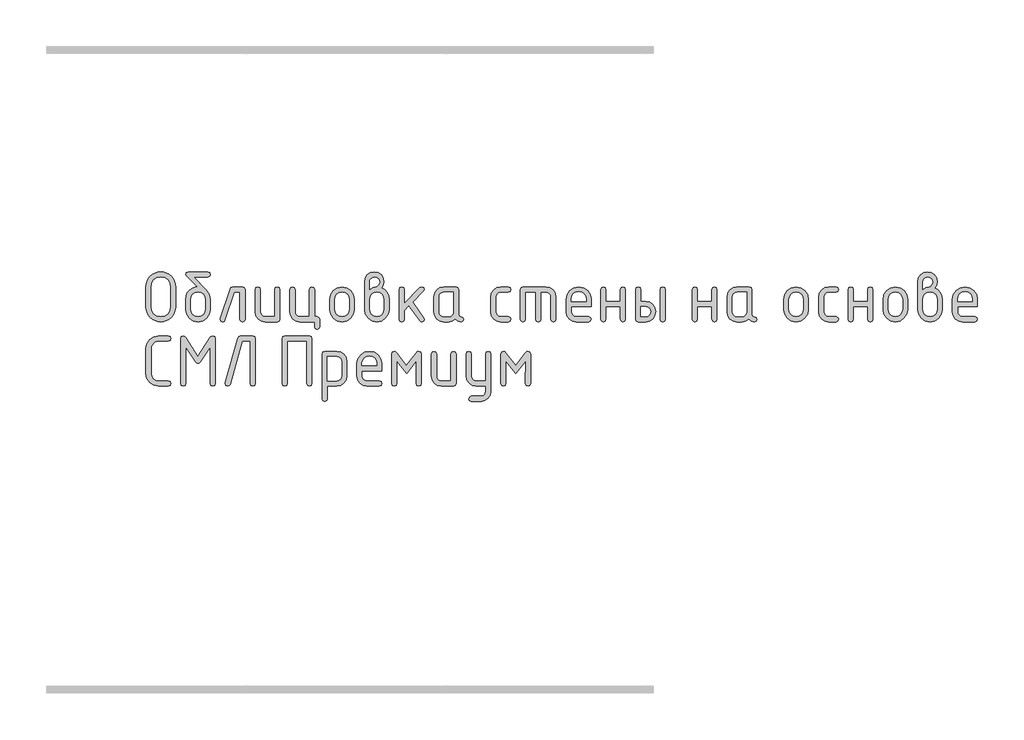
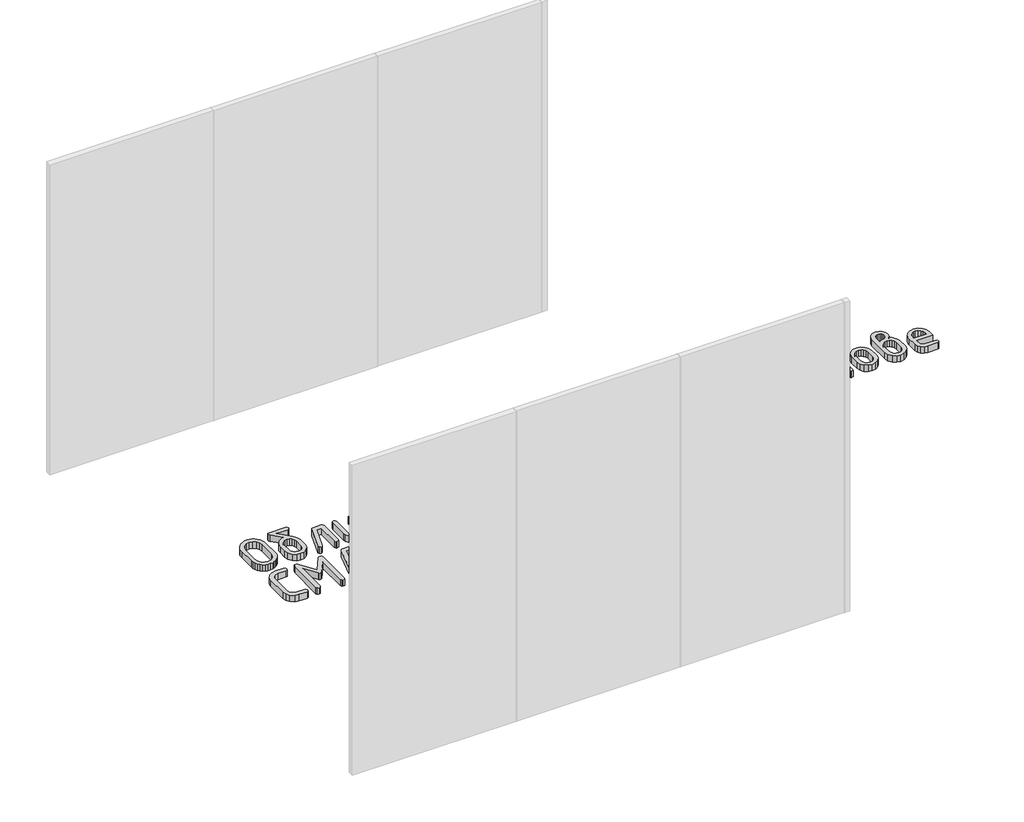
# One storey, part 29 of 33: 1 proxy.
"""IFC4 building model written with IfcOpenShell, lengths in millimetres."""

from ifc_helpers import new_model, si_unit, origin, origin_with_axes, place, context, project, spatial, polyline, outline, extrude, element, save

model = new_model("IFC4")

# Units and contexts
model_context = context("Model", 3, world=origin())
ifc_project = project(units=[si_unit("LENGTHUNIT", "METRE", prefix="MILLI")], contexts=[model_context])

# Site, building, storey
site = spatial("IfcSite", under=ifc_project)
building = spatial("IfcBuilding", under=site)
storey = spatial("IfcBuildingStorey", under=building, Elevation=0.0)

# Proxy
placement = place(None, origin())
element("IfcBuildingElementProxy", 1, Name="Generic Models", at=placement, inside=storey, context=model_context, shape_type="SweptSolid", body=[
    extrude(outline(polyline([(35062.1650887, 8671.8700695), (35060.5106929, 8653.6364081), (35055.5475053, 8636.7847724), (35047.2755261, 8621.3151625), (35035.6947552, 8607.2275784), (35021.7736195, 8595.5055785), (35006.4805457, 8587.1327215), (34989.815534, 8582.1090073), (34971.7785842, 8580.4344359), (34953.7416344, 8582.1090073), (34937.0766226, 8587.1327215), (34921.7835488, 8595.5055785), (34907.8624131, 8607.2275784), (34896.2816422, 8621.3151625), (34888.009663, 8636.7847724), (34883.0464755, 8653.6364081), (34881.3920796, 8671.8700695), (34881.3920796, 8793.7304462), (34883.0464755, 8811.9641077), (34888.009663, 8828.8157434), (34896.2816422, 8844.2853533), (34907.8624131, 8858.3729374), (34921.7835488, 8870.0949372), (34937.0766226, 8878.4677942), (34953.7416344, 8883.4915084), (34971.7785842, 8885.1660798), (34989.9138898, 8883.4990742), (35006.6318624, 8878.4980575), (35021.932502, 8870.1630297), (35035.8158086, 8858.4939907), (35047.3436186, 8844.4442358), (35055.5777687, 8828.9670601), (35060.5182587, 8812.0624635), (35062.1650887, 8793.7304462), (35062.1650887, 8671.8700695)]), holes=[polyline([(35031.17543, 8672.1121763), (35031.17543, 8793.4883395), (35026.8679482, 8817.0130413), (35013.9455026, 8836.5833336), (34994.7888093, 8849.7781492), (34971.7785842, 8854.1764211), (34948.7683591, 8849.7781492), (34929.6116658, 8836.5833336), (34916.6892202, 8817.0130413), (34912.3817383, 8793.4883395), (34912.3817383, 8672.1121763), (34916.6892202, 8648.5874744), (34929.6116658, 8629.0171821), (34948.7683591, 8615.8223665), (34971.7785842, 8611.4240946), (34994.7888093, 8615.8223665), (35013.9455026, 8629.0171821), (35026.8679482, 8648.5874744), (35031.17543, 8672.1121763)])]), origin_with_axes(), (0.0, 0.0, 1.0), 50.0),
    extrude(outline(polyline([(35273.9277565, 8717.3054285), (35273.9277565, 8656.4559424), (35268.4500922, 8627.2316451), (35252.0170994, 8602.667902), (35227.8165163, 8585.9928025), (35199.0360813, 8580.4344359), (35170.2556463, 8586.0028902), (35146.0550632, 8602.7082531), (35129.6220704, 8627.3224352), (35124.1444061, 8656.6173469), (35124.1444061, 8717.5475352), (35126.7369654, 8738.9790228), (35134.5146435, 8757.3539132), (35147.4774401, 8772.6722064), (35165.6253555, 8784.9339025), (35181.342116, 8791.5313103), (35195.8886941, 8793.7304462), (35129.3093492, 8860.7133022), (35124.1444061, 8869.6712505), (35127.8768845, 8881.2923725), (35139.0743198, 8885.1660798), (35258.9978428, 8885.1660798), (35270.1952781, 8881.2923725), (35273.9277565, 8869.6712505), (35270.1952781, 8858.0501284), (35258.9978428, 8854.1764211), (35174.0183881, 8854.1764211), (35249.3942767, 8773.7969939), (35267.7943865, 8746.519638), (35273.9277565, 8717.3054285)]), holes=[polyline([(35242.9380978, 8656.9401558), (35242.9380978, 8717.5475352), (35239.7200961, 8734.9792182), (35230.0660911, 8749.6670252), (35215.8725853, 8759.653927), (35199.0360813, 8762.9828942), (35182.1995773, 8759.653927), (35168.0060715, 8749.6670252), (35158.3520665, 8734.9792182), (35155.1340648, 8717.5475352), (35155.1340648, 8656.9401558), (35158.3218031, 8639.3470684), (35167.8850181, 8624.6592614), (35182.0482606, 8614.7328863), (35199.0360813, 8611.4240946), (35215.8725853, 8614.7530619), (35230.0660911, 8624.7399636), (35239.7200961, 8639.4479462), (35242.9380978, 8656.9401558)])]), origin_with_axes(), (0.0, 0.0, 1.0), 50.0),
    extrude(outline(polyline([(35409.2654066, 8792.1971037), (35470.1955949, 8792.1971037), (35481.8167169, 8788.4242742), (35485.6904243, 8777.1057855), (35485.6904243, 8595.5257541), (35481.8167169, 8584.2072655), (35470.1955949, 8580.4344359), (35458.5744729, 8584.2072655), (35454.7007656, 8595.5257541), (35454.7007656, 8761.207445), (35420.0795062, 8761.207445), (35362.942323, 8590.6836199), (35357.636151, 8582.9967319), (35348.6580272, 8580.4344359), (35337.2790119, 8584.2677922), (35333.4860068, 8595.7678608), (35334.2123269, 8600.3678883), (35394.0933862, 8779.8496616), (35399.9846494, 8789.1102432), (35409.2654066, 8792.1971037)])), origin_with_axes(), (0.0, 0.0, 1.0), 50.0),
    extrude(outline(polyline([(35697.453092, 8777.1057855), (35697.453092, 8595.5257541), (35693.7004381, 8584.2072655), (35682.4424761, 8580.4344359), (35607.5508009, 8580.4344359), (35584.3287324, 8584.8125322), (35565.0207224, 8597.9468212), (35552.0074869, 8617.4565868), (35547.6697417, 8640.9611131), (35547.6697417, 8777.1057855), (35551.543449, 8788.4242742), (35563.164571, 8792.1971037), (35574.785693, 8788.4242742), (35578.6594004, 8777.1057855), (35578.6594004, 8641.5260287), (35580.8181852, 8630.0965745), (35587.2945396, 8620.3416917), (35596.7770524, 8613.6534939), (35607.9543121, 8611.4240946), (35666.4634333, 8611.4240946), (35666.4634333, 8777.1057855), (35670.3371407, 8788.4242742), (35681.9582627, 8792.1971037), (35693.5793847, 8788.4242742), (35697.453092, 8777.1057855)])), origin_with_axes(), (0.0, 0.0, 1.0), 50.0),
    extrude(outline(polyline([(35924.7105892, 8611.4240946), (35936.3317112, 8607.5503873), (35940.2054185, 8595.9292653), (35940.2054185, 8549.4447772), (35936.3317112, 8537.8236552), (35924.7105892, 8533.9499479), (35913.0894671, 8537.8236552), (35909.2157598, 8549.4447772), (35909.2157598, 8580.4344359), (35819.3134687, 8580.4344359), (35796.0914002, 8584.8427956), (35776.7833902, 8598.0678745), (35763.7701546, 8617.6079035), (35759.4324094, 8640.9611131), (35759.4324094, 8777.1057855), (35763.3061168, 8788.4242742), (35774.9272388, 8792.1971037), (35786.5483608, 8788.4242742), (35790.4220681, 8777.1057855), (35790.4220681, 8641.5260287), (35792.580853, 8630.0965745), (35799.0572074, 8620.3416917), (35808.5397202, 8613.6534939), (35819.7169799, 8611.4240946), (35878.2261011, 8611.4240946), (35878.2261011, 8777.1057855), (35882.0998085, 8788.4242742), (35893.7209305, 8792.1971037), (35905.3420525, 8788.4242742), (35909.2157598, 8777.1057855), (35909.2157598, 8611.4240946), (35924.7105892, 8611.4240946)])), origin_with_axes(), (0.0, 0.0, 1.0), 50.0),
    extrude(outline(polyline([(36002.1847359, 8656.0524312), (36002.1847359, 8716.5791084), (36007.6624002, 8745.652089), (36024.095393, 8770.084691), (36048.2959761, 8786.6690005), (36077.0764111, 8792.1971037), (36106.1594795, 8786.7295272), (36130.2995359, 8770.3267977), (36146.5509487, 8745.9547224), (36151.9680863, 8716.5791084), (36151.9680863, 8656.0524312), (36146.490422, 8626.9794507), (36130.0574292, 8602.5468487), (36105.8568461, 8585.9625391), (36077.0764111, 8580.4344359), (36048.2959761, 8585.9625391), (36024.095393, 8602.5468487), (36007.6624002, 8626.9794507), (36002.1847359, 8656.0524312)]), holes=[polyline([(36120.9784276, 8656.9401558), (36120.9784276, 8717.5475352), (36117.7604259, 8734.9792182), (36108.1064209, 8749.6670252), (36093.9129151, 8759.653927), (36077.0764111, 8762.9828942), (36060.2399071, 8759.653927), (36046.0464013, 8749.6670252), (36036.3923963, 8734.9792182), (36033.1743946, 8717.5475352), (36033.1743946, 8656.9401558), (36036.3621329, 8639.3470684), (36045.9253479, 8624.6592614), (36060.0885904, 8614.7328863), (36077.0764111, 8611.4240946), (36093.9129151, 8614.7530619), (36108.1064209, 8624.7399636), (36117.7604259, 8639.4479462), (36120.9784276, 8656.9401558)])]), origin_with_axes(), (0.0, 0.0, 1.0), 50.0),
    extrude(outline(polyline([(36318.7796085, 8787.516374), (36337.3108595, 8776.1272709), (36351.5850675, 8759.5530492), (36360.6943324, 8739.4682801), (36363.7307541, 8717.5475352), (36363.7307541, 8656.6173469), (36358.2530898, 8627.1711185), (36341.8200969, 8602.5871998), (36317.6195139, 8585.9726269), (36288.8390789, 8580.4344359), (36259.9073272, 8586.0028902), (36235.7370075, 8602.7082531), (36219.3948046, 8627.3224352), (36213.9474037, 8656.6173469), (36213.9474037, 8824.2358915), (36218.2750611, 8847.8412956), (36231.2580333, 8867.4922901), (36250.4349022, 8880.7476324), (36273.3442495, 8885.1660798), (36296.3544746, 8880.717369), (36315.5111679, 8867.3712367), (36328.4336135, 8847.6899789), (36332.7410954, 8824.2358915), (36329.2507236, 8803.5155923), (36318.7796085, 8787.516374)]), holes=[polyline([(36332.7410954, 8656.9401558), (36332.7410954, 8717.5475352), (36329.553357, 8734.9792182), (36319.990142, 8749.6670252), (36305.8268996, 8759.653927), (36288.8390789, 8762.9828942), (36271.8512582, 8759.653927), (36257.6880157, 8749.6670252), (36248.1248007, 8734.9792182), (36244.9370624, 8717.5475352), (36244.9370624, 8656.9401558), (36248.1248007, 8639.3470684), (36257.6880157, 8624.6592614), (36271.8512582, 8614.7328863), (36288.8390789, 8611.4240946), (36305.8268996, 8614.7530619), (36319.990142, 8624.7399636), (36329.553357, 8639.4479462), (36332.7410954, 8656.9401558)]), polyline([(36244.9370624, 8777.4285945), (36263.4178745, 8788.7470831), (36280.2846418, 8792.5199127), (36289.3636434, 8795.1629109), (36297.7163249, 8803.0919056), (36303.5874125, 8812.957754), (36305.5444418, 8822.8639535), (36303.3654814, 8834.6666555), (36296.8286003, 8844.4114505), (36287.0636297, 8850.9483317), (36275.200401, 8853.127292), (36263.5490156, 8850.9180683), (36253.7739572, 8844.2903972), (36247.1462861, 8834.5153388), (36244.9370624, 8822.8639535), (36244.9370624, 8777.4285945)])]), origin_with_axes(), (0.0, 0.0, 1.0), 50.0),
    extrude(outline(polyline([(36456.6997302, 8692.7719487), (36551.9283689, 8787.839183), (36562.7424685, 8792.1971037), (36574.1214838, 8788.4242742), (36577.9144889, 8777.1057855), (36573.3144615, 8766.5337926), (36506.7351166, 8700.03515), (36574.9285062, 8604.2415956), (36577.9144889, 8595.3643496), (36574.1214838, 8584.1669144), (36562.7424685, 8580.4344359), (36555.6003206, 8582.0484807), (36550.1529197, 8586.8906148), (36484.9455128, 8678.4876529), (36456.6997302, 8650.2418702), (36456.6997302, 8595.6064563), (36452.8260228, 8584.227441), (36441.2049008, 8580.4344359), (36429.5837788, 8584.2072655), (36425.7100715, 8595.5257541), (36425.7100715, 8777.1057855), (36429.5837788, 8788.4242742), (36441.2049008, 8792.1971037), (36452.8260228, 8788.4242742), (36456.6997302, 8777.1057855), (36456.6997302, 8692.7719487)])), origin_with_axes(), (0.0, 0.0, 1.0), 50.0),
    extrude(outline(polyline([(36817.5194282, 8595.5257541), (36813.7465986, 8584.2072655), (36802.42811, 8580.4344359), (36783.2815045, 8584.4493722), (36767.9682552, 8596.4941809), (36749.5479698, 8584.4493722), (36727.3750304, 8580.4344359), (36697.3537985, 8580.4344359), (36674.13173, 8584.8125322), (36654.82372, 8597.9468212), (36641.8104844, 8617.4565868), (36637.4727392, 8640.9611131), (36637.4727392, 8731.6704266), (36641.8104844, 8755.1749529), (36654.82372, 8774.6847185), (36674.13173, 8787.8190074), (36697.3537985, 8792.1971037), (36772.2454737, 8792.1971037), (36783.5034356, 8788.4242742), (36787.2560896, 8777.1057855), (36787.2560896, 8625.7890927), (36791.0390069, 8614.470604), (36802.3877589, 8610.6977745), (36813.7365109, 8606.9047694), (36817.5194282, 8595.5257541)]), holes=[polyline([(36756.2664309, 8761.207445), (36697.7573097, 8761.207445), (36686.4791722, 8759.0183969), (36677.016835, 8752.4512524), (36670.6010072, 8742.7770718), (36668.4623979, 8731.2669154), (36668.4623979, 8641.3646243), (36670.6211828, 8629.9553456), (36677.0975372, 8620.2609895), (36686.58005, 8613.6333183), (36697.7573097, 8611.4240946), (36726.9715192, 8611.4240946), (36738.2496567, 8613.6131428), (36747.7119939, 8620.1802873), (36754.1278217, 8629.8544678), (36756.2664309, 8641.3646243), (36756.2664309, 8761.207445)])]), origin_with_axes(), (0.0, 0.0, 1.0), 50.0),
    extrude(outline(polyline([(37014.5135867, 8731.2669154), (37014.5135867, 8641.3646243), (37016.7530738, 8629.9553456), (37023.471535, 8620.2609895), (37033.2768567, 8613.6333183), (37044.7769253, 8611.4240946), (37090.2929865, 8611.4240946), (37101.6114752, 8607.5503873), (37105.3843047, 8595.9292653), (37101.6114752, 8584.3081433), (37090.2929865, 8580.4344359), (37044.7769253, 8580.4344359), (37021.2320479, 8584.8125322), (37001.4398245, 8597.9468212), (36988.0029022, 8617.4565868), (36983.523928, 8640.9611131), (36983.523928, 8731.6704266), (36988.0029022, 8755.1749529), (37001.4398245, 8774.6847185), (37021.2320479, 8787.8190074), (37044.7769253, 8792.1971037), (37090.2929865, 8792.1971037), (37101.6114752, 8788.3233964), (37105.3843047, 8776.7022744), (37101.6114752, 8765.0811523), (37090.2929865, 8761.207445), (37044.7769253, 8761.207445), (37033.12554, 8759.0183969), (37023.3504816, 8752.4512524), (37016.7228105, 8742.7770718), (37014.5135867, 8731.2669154)])), origin_with_axes(), (0.0, 0.0, 1.0), 50.0),
    extrude(outline(polyline([(37179.7917665, 8792.1971037), (37319.2452306, 8792.1971037), (37343.1330925, 8787.7887441), (37363.1472471, 8774.5636651), (37376.7052228, 8755.0236362), (37381.224548, 8731.6704266), (37381.224548, 8595.5257541), (37377.3508407, 8584.2072655), (37365.7297187, 8580.4344359), (37354.1085967, 8584.2072655), (37350.2348893, 8595.5257541), (37350.2348893, 8731.1055109), (37348.00549, 8742.8375985), (37341.3172922, 8752.5319546), (37331.3404783, 8759.0385724), (37319.2452306, 8761.207445), (37288.2555719, 8761.207445), (37288.2555719, 8595.5257541), (37284.3818646, 8584.2072655), (37272.7607426, 8580.4344359), (37261.1396206, 8584.2072655), (37257.2659132, 8595.5257541), (37257.2659132, 8761.207445), (37195.2865958, 8761.207445), (37195.2865958, 8595.5257541), (37191.4128885, 8584.2072655), (37179.7917665, 8580.4344359), (37168.1706445, 8584.2072655), (37164.2969371, 8595.5257541), (37164.2969371, 8777.1057855), (37168.1706445, 8788.4242742), (37179.7917665, 8792.1971037)])), origin_with_axes(), (0.0, 0.0, 1.0), 50.0),
    extrude(outline(polyline([(37474.1935241, 8673.403412), (37474.1935241, 8642.4137533), (37476.4330112, 8630.6211391), (37483.1514723, 8620.5837984), (37492.956794, 8613.7140206), (37504.4568627, 8611.4240946), (37580.2362625, 8611.4240946), (37591.6152778, 8607.5503873), (37595.4082829, 8595.9292653), (37591.6152778, 8584.3081433), (37580.2362625, 8580.4344359), (37504.4568627, 8580.4344359), (37480.9119853, 8584.8125322), (37461.1197618, 8597.9468212), (37447.6828395, 8617.4565868), (37443.2038654, 8640.9611131), (37443.2038654, 8716.5791084), (37448.8227586, 8745.652089), (37465.6794382, 8770.084691), (37490.4045858, 8786.6690005), (37519.6288831, 8792.1971037), (37549.0751115, 8786.830405), (37573.4976257, 8770.7303089), (37589.9306186, 8746.8020959), (37595.4082829, 8717.9510464), (37595.4082829, 8673.403412), (37474.1935241, 8673.403412)]), holes=[polyline([(37519.6288831, 8765.0004501), (37502.1972001, 8761.6714829), (37487.5093931, 8751.6845811), (37477.5224914, 8736.9967742), (37474.1935241, 8719.5650911), (37474.1935241, 8704.3930707), (37565.0642421, 8704.3930707), (37565.0642421, 8719.5650911), (37561.7352748, 8736.9967742), (37551.7483731, 8751.6845811), (37537.0605661, 8761.6714829), (37519.6288831, 8765.0004501)])]), origin_with_axes(), (0.0, 0.0, 1.0), 50.0),
    extrude(outline(polyline([(37685.9561919, 8673.403412), (37685.9561919, 8595.9292653), (37682.0824846, 8584.3081433), (37670.4613625, 8580.4344359), (37658.8402405, 8584.2072655), (37654.9665332, 8595.5257541), (37654.9665332, 8777.1057855), (37658.8402405, 8788.4242742), (37670.4613625, 8792.1971037), (37682.0824846, 8788.5453275), (37685.9561919, 8777.589999), (37685.9561919, 8704.3930707), (37773.7602249, 8704.3930707), (37773.7602249, 8777.589999), (37777.6339322, 8788.5453275), (37789.2550542, 8792.1971037), (37800.8761762, 8788.4242742), (37804.7498836, 8777.1057855), (37804.7498836, 8595.5257541), (37800.8761762, 8584.2072655), (37789.2550542, 8580.4344359), (37777.6339322, 8584.3081433), (37773.7602249, 8595.9292653), (37773.7602249, 8673.403412), (37685.9561919, 8673.403412)])), origin_with_axes(), (0.0, 0.0, 1.0), 50.0),
    extrude(outline(polyline([(38016.5125513, 8777.1057855), (38020.3862587, 8788.4242742), (38032.0073807, 8792.1971037), (38043.6285027, 8788.4242742), (38047.50221, 8777.1057855), (38047.50221, 8595.5257541), (38043.6285027, 8584.2072655), (38032.0073807, 8580.4344359), (38020.3862587, 8584.2072655), (38016.5125513, 8595.5257541), (38016.5125513, 8777.1057855)])), origin_with_axes(), (0.0, 0.0, 1.0), 50.0),
    extrude(outline(polyline([(37988.5895776, 8642.4137533), (37984.2013935, 8618.3745747), (37971.0368412, 8598.3906835), (37951.4968123, 8584.9234978), (37927.9821982, 8580.4344359), (37882.2240303, 8580.4344359), (37870.6029083, 8584.2072655), (37866.729201, 8595.5257541), (37866.729201, 8777.1057855), (37870.6029083, 8788.4242742), (37882.2240303, 8792.1971037), (37893.8451523, 8788.5453275), (37897.7188597, 8777.589999), (37897.7188597, 8704.3930707), (37927.9821982, 8704.3930707), (37951.4968123, 8699.9040088), (37971.0368412, 8686.4368232), (37984.2013935, 8666.4529319), (37988.5895776, 8642.4137533)]), holes=[polyline([(37958.326239, 8642.4137533), (37956.1472787, 8654.509001), (37949.6103975, 8664.4858149), (37939.845427, 8671.1740128), (37927.9821982, 8673.403412), (37897.7188597, 8673.403412), (37897.7188597, 8611.4240946), (37927.9821982, 8611.4240946), (37939.6941103, 8613.6837572), (37949.4893442, 8620.4627451), (37956.1170153, 8630.4698224), (37958.326239, 8642.4137533)])]), origin_with_axes(), (0.0, 0.0, 1.0), 50.0),
    extrude(outline(polyline([(38243.7700485, 8673.403412), (38243.7700485, 8595.9292653), (38239.8963411, 8584.3081433), (38228.2752191, 8580.4344359), (38216.6540971, 8584.2072655), (38212.7803898, 8595.5257541), (38212.7803898, 8777.1057855), (38216.6540971, 8788.4242742), (38228.2752191, 8792.1971037), (38239.8963411, 8788.5453275), (38243.7700485, 8777.589999), (38243.7700485, 8704.3930707), (38331.5740815, 8704.3930707), (38331.5740815, 8777.589999), (38335.4477888, 8788.5453275), (38347.0689108, 8792.1971037), (38358.6900328, 8788.4242742), (38362.5637401, 8777.1057855), (38362.5637401, 8595.5257541), (38358.6900328, 8584.2072655), (38347.0689108, 8580.4344359), (38335.4477888, 8584.3081433), (38331.5740815, 8595.9292653), (38331.5740815, 8673.403412), (38243.7700485, 8673.403412)])), origin_with_axes(), (0.0, 0.0, 1.0), 50.0),
    extrude(outline(polyline([(38604.5897465, 8595.5257541), (38600.816917, 8584.2072655), (38589.4984283, 8580.4344359), (38570.3518228, 8584.4493722), (38555.0385735, 8596.4941809), (38536.6182881, 8584.4493722), (38514.4453487, 8580.4344359), (38484.4241168, 8580.4344359), (38461.2020483, 8584.8125322), (38441.8940383, 8597.9468212), (38428.8808027, 8617.4565868), (38424.5430575, 8640.9611131), (38424.5430575, 8731.6704266), (38428.8808027, 8755.1749529), (38441.8940383, 8774.6847185), (38461.2020483, 8787.8190074), (38484.4241168, 8792.1971037), (38559.315792, 8792.1971037), (38570.5737539, 8788.4242742), (38574.3264079, 8777.1057855), (38574.3264079, 8625.7890927), (38578.1093252, 8614.470604), (38589.4580772, 8610.6977745), (38600.8068292, 8606.9047694), (38604.5897465, 8595.5257541)]), holes=[polyline([(38543.3367492, 8761.207445), (38484.827628, 8761.207445), (38473.5494905, 8759.0183969), (38464.0871533, 8752.4512524), (38457.6713255, 8742.7770718), (38455.5327162, 8731.2669154), (38455.5327162, 8641.3646243), (38457.6915011, 8629.9553456), (38464.1678555, 8620.2609895), (38473.6503683, 8613.6333183), (38484.827628, 8611.4240946), (38514.0418375, 8611.4240946), (38525.319975, 8613.6131428), (38534.7823122, 8620.1802873), (38541.19814, 8629.8544678), (38543.3367492, 8641.3646243), (38543.3367492, 8761.207445)])]), origin_with_axes(), (0.0, 0.0, 1.0), 50.0),
    extrude(outline(polyline([(38770.5942464, 8656.0524312), (38770.5942464, 8716.5791084), (38776.0719106, 8745.652089), (38792.5049035, 8770.084691), (38816.7054866, 8786.6690005), (38845.4859215, 8792.1971037), (38874.5689899, 8786.7295272), (38898.7090463, 8770.3267977), (38914.9604591, 8745.9547224), (38920.3775967, 8716.5791084), (38920.3775967, 8656.0524312), (38914.8999324, 8626.9794507), (38898.4669396, 8602.5468487), (38874.2663565, 8585.9625391), (38845.4859215, 8580.4344359), (38816.7054866, 8585.9625391), (38792.5049035, 8602.5468487), (38776.0719106, 8626.9794507), (38770.5942464, 8656.0524312)]), holes=[polyline([(38889.387938, 8656.9401558), (38889.387938, 8717.5475352), (38886.1699364, 8734.9792182), (38876.5159314, 8749.6670252), (38862.3224256, 8759.653927), (38845.4859215, 8762.9828942), (38828.6494175, 8759.653927), (38814.4559117, 8749.6670252), (38804.8019067, 8734.9792182), (38801.5839051, 8717.5475352), (38801.5839051, 8656.9401558), (38804.7716434, 8639.3470684), (38814.3348584, 8624.6592614), (38828.4981008, 8614.7328863), (38845.4859215, 8611.4240946), (38862.3224256, 8614.7530619), (38876.5159314, 8624.7399636), (38886.1699364, 8639.4479462), (38889.387938, 8656.9401558)])]), origin_with_axes(), (0.0, 0.0, 1.0), 50.0),
    extrude(outline(polyline([(39013.3465728, 8731.2669154), (39013.3465728, 8641.3646243), (39015.5860599, 8629.9553456), (39022.304521, 8620.2609895), (39032.1098427, 8613.6333183), (39043.6099114, 8611.4240946), (39089.1259726, 8611.4240946), (39100.4444612, 8607.5503873), (39104.2172908, 8595.9292653), (39100.4444612, 8584.3081433), (39089.1259726, 8580.4344359), (39043.6099114, 8580.4344359), (39020.065034, 8584.8125322), (39000.2728106, 8597.9468212), (38986.8358882, 8617.4565868), (38982.3569141, 8640.9611131), (38982.3569141, 8731.6704266), (38986.8358882, 8755.1749529), (39000.2728106, 8774.6847185), (39020.065034, 8787.8190074), (39043.6099114, 8792.1971037), (39089.1259726, 8792.1971037), (39100.4444612, 8788.3233964), (39104.2172908, 8776.7022744), (39100.4444612, 8765.0811523), (39089.1259726, 8761.207445), (39043.6099114, 8761.207445), (39031.9585261, 8759.0183969), (39022.1834677, 8752.4512524), (39015.5557965, 8742.7770718), (39013.3465728, 8731.2669154)])), origin_with_axes(), (0.0, 0.0, 1.0), 50.0),
    extrude(outline(polyline([(39194.1195819, 8673.403412), (39194.1195819, 8595.9292653), (39190.2458746, 8584.3081433), (39178.6247526, 8580.4344359), (39167.0036305, 8584.2072655), (39163.1299232, 8595.5257541), (39163.1299232, 8777.1057855), (39167.0036305, 8788.4242742), (39178.6247526, 8792.1971037), (39190.2458746, 8788.5453275), (39194.1195819, 8777.589999), (39194.1195819, 8704.3930707), (39281.9236149, 8704.3930707), (39281.9236149, 8777.589999), (39285.7973222, 8788.5453275), (39297.4184442, 8792.1971037), (39309.0395662, 8788.4242742), (39312.9132736, 8777.1057855), (39312.9132736, 8595.5257541), (39309.0395662, 8584.2072655), (39297.4184442, 8580.4344359), (39285.7973222, 8584.3081433), (39281.9236149, 8595.9292653), (39281.9236149, 8673.403412), (39194.1195819, 8673.403412)])), origin_with_axes(), (0.0, 0.0, 1.0), 50.0),
    extrude(outline(polyline([(39374.892591, 8656.0524312), (39374.892591, 8716.5791084), (39380.3702553, 8745.652089), (39396.8032481, 8770.084691), (39421.0038312, 8786.6690005), (39449.7842662, 8792.1971037), (39478.8673345, 8786.7295272), (39503.0073909, 8770.3267977), (39519.2588038, 8745.9547224), (39524.6759414, 8716.5791084), (39524.6759414, 8656.0524312), (39519.1982771, 8626.9794507), (39502.7652842, 8602.5468487), (39478.5647012, 8585.9625391), (39449.7842662, 8580.4344359), (39421.0038312, 8585.9625391), (39396.8032481, 8602.5468487), (39380.3702553, 8626.9794507), (39374.892591, 8656.0524312)]), holes=[polyline([(39493.6862827, 8656.9401558), (39493.6862827, 8717.5475352), (39490.468281, 8734.9792182), (39480.814276, 8749.6670252), (39466.6207702, 8759.653927), (39449.7842662, 8762.9828942), (39432.9477621, 8759.653927), (39418.7542564, 8749.6670252), (39409.1002514, 8734.9792182), (39405.8822497, 8717.5475352), (39405.8822497, 8656.9401558), (39409.069988, 8639.3470684), (39418.633203, 8624.6592614), (39432.7964455, 8614.7328863), (39449.7842662, 8611.4240946), (39466.6207702, 8614.7530619), (39480.814276, 8624.7399636), (39490.468281, 8639.4479462), (39493.6862827, 8656.9401558)])]), origin_with_axes(), (0.0, 0.0, 1.0), 50.0),
    extrude(outline(polyline([(39691.4874636, 8787.516374), (39710.0187146, 8776.1272709), (39724.2929226, 8759.5530492), (39733.4021875, 8739.4682801), (39736.4386091, 8717.5475352), (39736.4386091, 8656.6173469), (39730.9609449, 8627.1711185), (39714.527952, 8602.5871998), (39690.3273689, 8585.9726269), (39661.5469339, 8580.4344359), (39632.6151823, 8586.0028902), (39608.4448625, 8602.7082531), (39592.1026597, 8627.3224352), (39586.6552588, 8656.6173469), (39586.6552588, 8824.2358915), (39590.9829162, 8847.8412956), (39603.9658884, 8867.4922901), (39623.1427573, 8880.7476324), (39646.0521046, 8885.1660798), (39669.0623297, 8880.717369), (39688.219023, 8867.3712367), (39701.1414686, 8847.6899789), (39705.4489504, 8824.2358915), (39701.9585787, 8803.5155923), (39691.4874636, 8787.516374)]), holes=[polyline([(39617.6449175, 8777.4285945), (39636.1257295, 8788.7470831), (39652.9924969, 8792.5199127), (39662.0714985, 8795.1629109), (39670.4241799, 8803.0919056), (39676.2952676, 8812.957754), (39678.2522968, 8822.8639535), (39676.0733365, 8834.6666555), (39669.5364553, 8844.4114505), (39659.7714848, 8850.9483317), (39647.908256, 8853.127292), (39636.2568707, 8850.9180683), (39626.4818123, 8844.2903972), (39619.8541412, 8834.5153388), (39617.6449175, 8822.8639535), (39617.6449175, 8777.4285945)]), polyline([(39705.4489504, 8656.9401558), (39705.4489504, 8717.5475352), (39702.2612121, 8734.9792182), (39692.6979971, 8749.6670252), (39678.5347547, 8759.653927), (39661.5469339, 8762.9828942), (39644.5591132, 8759.653927), (39630.3958708, 8749.6670252), (39620.8326558, 8734.9792182), (39617.6449175, 8717.5475352), (39617.6449175, 8656.9401558), (39620.8326558, 8639.3470684), (39630.3958708, 8624.6592614), (39644.5591132, 8614.7328863), (39661.5469339, 8611.4240946), (39678.5347547, 8614.7530619), (39692.6979971, 8624.7399636), (39702.2612121, 8639.4479462), (39705.4489504, 8656.9401558)])]), origin_with_axes(), (0.0, 0.0, 1.0), 50.0),
    extrude(outline(polyline([(39829.4075852, 8673.403412), (39829.4075852, 8642.4137533), (39831.6470723, 8630.6211391), (39838.3655335, 8620.5837984), (39848.1708552, 8613.7140206), (39859.6709238, 8611.4240946), (39935.4503236, 8611.4240946), (39946.8293389, 8607.5503873), (39950.622344, 8595.9292653), (39946.8293389, 8584.3081433), (39935.4503236, 8580.4344359), (39859.6709238, 8580.4344359), (39836.1260464, 8584.8125322), (39816.333823, 8597.9468212), (39802.8969006, 8617.4565868), (39798.4179265, 8640.9611131), (39798.4179265, 8716.5791084), (39804.0368197, 8745.652089), (39820.8934993, 8770.084691), (39845.6186469, 8786.6690005), (39874.8429442, 8792.1971037), (39904.2891726, 8786.830405), (39928.7116869, 8770.7303089), (39945.1446797, 8746.8020959), (39950.622344, 8717.9510464), (39950.622344, 8673.403412), (39829.4075852, 8673.403412)]), holes=[polyline([(39874.8429442, 8765.0004501), (39857.4112612, 8761.6714829), (39842.7234542, 8751.6845811), (39832.7365525, 8736.9967742), (39829.4075852, 8719.5650911), (39829.4075852, 8704.3930707), (39920.2783032, 8704.3930707), (39920.2783032, 8719.5650911), (39916.9493359, 8736.9967742), (39906.9624342, 8751.6845811), (39892.2746272, 8761.6714829), (39874.8429442, 8765.0004501)])]), origin_with_axes(), (0.0, 0.0, 1.0), 50.0),
    extrude(outline(polyline([(35018.4244767, 8493.1175886), (35029.803492, 8489.2438813), (35033.5964971, 8477.6227593), (35029.803492, 8466.0016373), (35018.4244767, 8462.1279299), (34957.8170973, 8462.1279299), (34934.9380133, 8456.4989489), (34918.5958105, 8439.612006), (34913.9352564, 8428.5759752), (34912.3817383, 8416.6118687), (34912.3817383, 8264.8916647), (34915.7107056, 8247.399455), (34925.6976073, 8232.6914724), (34940.3854143, 8222.7045707), (34957.8170973, 8219.3756034), (35018.4244767, 8219.3756034), (35029.803492, 8215.5018961), (35033.5964971, 8203.8807741), (35029.803492, 8192.2596521), (35018.4244767, 8188.3859447), (34957.8170973, 8188.3859447), (34928.5928, 8193.954399), (34903.8676524, 8210.6597619), (34887.0109728, 8235.273944), (34881.3920796, 8264.5688557), (34881.3920796, 8416.9346777), (34887.0109728, 8446.2295894), (34903.8676524, 8470.8437714), (34928.5928, 8487.5491343), (34957.8170973, 8493.1175886), (35018.4244767, 8493.1175886)])), origin_with_axes(), (0.0, 0.0, 1.0), 50.0),
    extrude(outline(polyline([(35288.1313501, 8493.1175886), (35300.7208989, 8489.304408), (35304.9174152, 8477.864866), (35304.9174152, 8203.6386674), (35301.0437078, 8192.1991254), (35289.4225858, 8188.3859447), (35277.8014638, 8192.1991254), (35273.9277565, 8203.6386674), (35273.9277565, 8427.7487773), (35212.9168659, 8335.1833124), (35206.3799848, 8328.3437979), (35199.0360813, 8326.0639597), (35191.5711244, 8328.3437979), (35184.9938922, 8335.1833124), (35124.1444061, 8427.7487773), (35124.1444061, 8203.6386674), (35120.2706988, 8192.1991254), (35108.6495768, 8188.3859447), (35097.0284547, 8192.1991254), (35093.1547474, 8203.6386674), (35093.1547474, 8477.864866), (35097.2705615, 8489.304408), (35109.6180036, 8493.1175886), (35117.7689294, 8491.2210861), (35124.1444061, 8485.5315784), (35198.7939746, 8368.4326337), (35273.9277565, 8486.419303), (35279.899722, 8491.4430172), (35288.1313501, 8493.1175886)])), origin_with_axes(), (0.0, 0.0, 1.0), 50.0),
    extrude(outline(polyline([(35455.5884902, 8493.1175886), (35532.1749123, 8493.1175886), (35543.7960343, 8489.304408), (35547.6697417, 8477.864866), (35547.6697417, 8203.6386674), (35543.7960343, 8192.1991254), (35532.1749123, 8188.3859447), (35520.5537903, 8192.1789499), (35516.680083, 8203.5579652), (35516.680083, 8462.1279299), (35467.5324211, 8462.1279299), (35394.7390041, 8198.9579377), (35389.6345876, 8191.028943), (35380.2933038, 8188.3859447), (35368.9142885, 8192.1991254), (35365.1212834, 8203.6386674), (35366.3318169, 8209.1264195), (35440.4164698, 8477.864866), (35446.307733, 8489.304408), (35455.5884902, 8493.1175886)])), origin_with_axes(), (0.0, 0.0, 1.0), 50.0),
    extrude(outline(polyline([(35728.0392396, 8493.1175886), (35878.6296123, 8493.1175886), (35889.9481009, 8489.304408), (35893.7209305, 8477.864866), (35893.7209305, 8203.6386674), (35889.8472231, 8192.1991254), (35878.2261011, 8188.3859447), (35866.6049791, 8192.1789499), (35862.7312718, 8203.5579652), (35862.7312718, 8462.1279299), (35743.9375801, 8462.1279299), (35743.9375801, 8203.5579652), (35740.0638727, 8192.1789499), (35728.4427507, 8188.3859447), (35716.8216287, 8192.1991254), (35712.9479214, 8203.6386674), (35712.9479214, 8477.864866), (35716.7207509, 8489.304408), (35728.0392396, 8493.1175886)])), origin_with_axes(), (0.0, 0.0, 1.0), 50.0),
    extrude(outline(polyline([(35955.7002479, 8384.8958899), (35959.4529018, 8396.3354319), (35970.7108638, 8400.1486125), (36045.602539, 8400.1486125), (36068.8246074, 8395.7705162), (36088.1326175, 8382.6362273), (36101.145853, 8363.1264617), (36105.4835982, 8339.6219354), (36105.4835982, 8248.9126219), (36101.1761164, 8225.5594123), (36088.2536708, 8206.0193834), (36069.0969775, 8192.7943044), (36046.0867524, 8188.3859447), (35986.6899066, 8188.3859447), (35986.6899066, 8110.911798), (35982.8161992, 8099.290676), (35971.1950772, 8095.4169687), (35959.5739552, 8099.2301493), (35955.7002479, 8110.6696913), (35955.7002479, 8384.8958899)]), holes=[polyline([(35986.6899066, 8369.1589538), (35986.6899066, 8219.3756034), (36045.1990278, 8219.3756034), (36056.4771653, 8221.5646516), (36065.9395025, 8228.1317961), (36072.3553303, 8237.8059766), (36074.4939395, 8249.3161331), (36074.4939395, 8339.2184242), (36072.3855936, 8350.8798973), (36066.0605559, 8360.5238146), (36056.628482, 8367.000169), (36045.1990278, 8369.1589538), (35986.6899066, 8369.1589538)])]), origin_with_axes(), (0.0, 0.0, 1.0), 50.0),
    extrude(outline(polyline([(36198.4525743, 8281.3549208), (36198.4525743, 8250.3652621), (36200.6920614, 8238.5726479), (36207.4105226, 8228.5353073), (36217.2158443, 8221.6655294), (36228.7159129, 8219.3756034), (36304.4953127, 8219.3756034), (36315.874328, 8215.5018961), (36319.6673331, 8203.8807741), (36315.874328, 8192.2596521), (36304.4953127, 8188.3859447), (36228.7159129, 8188.3859447), (36205.1710355, 8192.7640411), (36185.3788121, 8205.89833), (36171.9418897, 8225.4080956), (36167.4629156, 8248.9126219), (36167.4629156, 8324.5306172), (36173.0818088, 8353.6035978), (36189.9384884, 8378.0361998), (36214.663636, 8394.6205093), (36243.8879333, 8400.1486125), (36273.3341617, 8394.7819138), (36297.756676, 8378.6818177), (36314.1896688, 8354.7536047), (36319.6673331, 8325.9025552), (36319.6673331, 8281.3549208), (36198.4525743, 8281.3549208)]), holes=[polyline([(36243.8879333, 8372.9519589), (36226.4562503, 8369.6229917), (36211.7684433, 8359.63609), (36201.7815416, 8344.948283), (36198.4525743, 8327.5165999), (36198.4525743, 8312.3445795), (36289.3232923, 8312.3445795), (36289.3232923, 8327.5165999), (36285.994325, 8344.948283), (36276.0074233, 8359.63609), (36261.3196163, 8369.6229917), (36243.8879333, 8372.9519589)])]), origin_with_axes(), (0.0, 0.0, 1.0), 50.0),
    extrude(outline(polyline([(36470.0963014, 8263.9232378), (36410.2152421, 8341.4780868), (36410.2152421, 8203.4772629), (36406.3415348, 8192.1587743), (36394.7204128, 8188.3859447), (36383.0992908, 8192.1587743), (36379.2255834, 8203.4772629), (36379.2255834, 8385.0572944), (36383.0992908, 8396.375783), (36394.7204128, 8400.1486125), (36402.4678274, 8397.747721), (36410.2152421, 8390.5450464), (36469.612088, 8312.9094952), (36529.0089338, 8390.5450464), (36536.7563485, 8397.747721), (36544.5037631, 8400.1486125), (36556.1248852, 8396.375783), (36559.9985925, 8385.0572944), (36559.9985925, 8203.4772629), (36556.1248852, 8192.1587743), (36544.5037631, 8188.3859447), (36532.8826411, 8192.1587743), (36529.0089338, 8203.4772629), (36529.8966584, 8341.4780868), (36470.0963014, 8263.9232378)])), origin_with_axes(), (0.0, 0.0, 1.0), 50.0),
    extrude(outline(polyline([(36771.7612603, 8385.0572944), (36771.7612603, 8203.4772629), (36768.0086063, 8192.1587743), (36756.7506443, 8188.3859447), (36681.8589691, 8188.3859447), (36658.6369007, 8192.7640411), (36639.3288907, 8205.89833), (36626.3156551, 8225.4080956), (36621.9779099, 8248.9126219), (36621.9779099, 8385.0572944), (36625.8516172, 8396.375783), (36637.4727392, 8400.1486125), (36649.0938613, 8396.375783), (36652.9675686, 8385.0572944), (36652.9675686, 8249.4775375), (36655.1263534, 8238.0480833), (36661.6027079, 8228.2932005), (36671.0852206, 8221.6050027), (36682.2624803, 8219.3756034), (36740.7716016, 8219.3756034), (36740.7716016, 8385.0572944), (36744.6453089, 8396.375783), (36756.2664309, 8400.1486125), (36767.8875529, 8396.375783), (36771.7612603, 8385.0572944)])), origin_with_axes(), (0.0, 0.0, 1.0), 50.0),
    extrude(outline(polyline([(36952.5342693, 8156.9120726), (36952.5342693, 8188.3859447), (36893.1374235, 8188.3859447), (36870.1271984, 8192.7943044), (36850.9705051, 8206.0193834), (36838.0480595, 8225.5594123), (36833.7405777, 8248.9126219), (36833.7405777, 8385.0572944), (36837.614285, 8396.375783), (36849.235407, 8400.1486125), (36860.856529, 8396.375783), (36864.7302364, 8385.0572944), (36864.7302364, 8249.4775375), (36866.8890212, 8238.0480833), (36873.3653756, 8228.2932005), (36882.8478884, 8221.6050027), (36894.0251481, 8219.3756034), (36952.5342693, 8219.3756034), (36952.5342693, 8385.0572944), (36956.4079767, 8396.375783), (36968.0290987, 8400.1486125), (36979.6502207, 8396.3354319), (36983.523928, 8384.8958899), (36983.523928, 8156.347157), (36979.2769729, 8132.8930696), (36966.5361073, 8113.2118117), (36947.6013452, 8099.8656794), (36924.7727001, 8095.4169687), (36864.7302364, 8095.4169687), (36853.3512211, 8099.290676), (36849.558216, 8110.911798), (36854.1582434, 8121.7258977), (36864.7302364, 8126.4066274), (36923.2393576, 8126.4066274), (36934.6688118, 8128.5754999), (36944.1008857, 8135.0821177), (36950.4259234, 8144.8773517), (36952.5342693, 8156.9120726)])), origin_with_axes(), (0.0, 0.0, 1.0), 50.0),
    extrude(outline(polyline([(37136.3739634, 8263.9232378), (37076.4929041, 8341.4780868), (37076.4929041, 8203.4772629), (37072.6191968, 8192.1587743), (37060.9980748, 8188.3859447), (37049.3769528, 8192.1587743), (37045.5032454, 8203.4772629), (37045.5032454, 8385.0572944), (37049.3769528, 8396.375783), (37060.9980748, 8400.1486125), (37068.7454895, 8397.747721), (37076.4929041, 8390.5450464), (37135.88975, 8312.9094952), (37195.2865958, 8390.5450464), (37203.0340105, 8397.747721), (37210.7814252, 8400.1486125), (37222.4025472, 8396.375783), (37226.2762545, 8385.0572944), (37226.2762545, 8203.4772629), (37222.4025472, 8192.1587743), (37210.7814252, 8188.3859447), (37199.1603032, 8192.1587743), (37195.2865958, 8203.4772629), (37196.1743204, 8341.4780868), (37136.3739634, 8263.9232378)])), origin_with_axes(), (0.0, 0.0, 1.0), 50.0),
])

save(model, "model.ifc")
